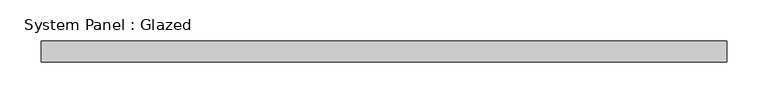
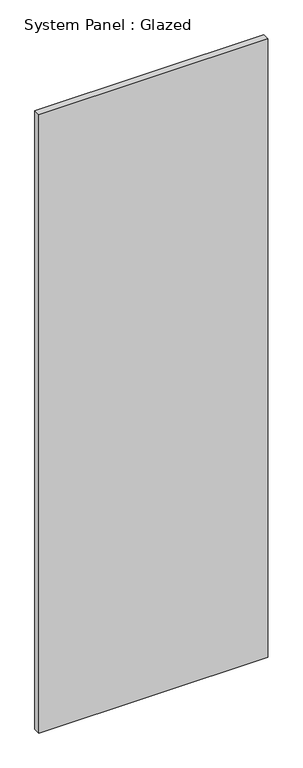
"""IFC4 building model written with IfcOpenShell, lengths in millimetres: plate geometry, System Panel : Glazed."""

from ifc_helpers import new_model, si_unit, origin, origin_with_axes, place, context, project, spatial, polyline, outline, extrude, source, transform, mapped, element, save


def system_panel_glazed_ee93c386(model_context):
    return source(origin(), model_context, "Body", "SweptSolid", [
        extrude(outline(polyline([(414.3482701, -12.7), (-414.3482701, -12.7), (-414.3482701, 12.7), (414.3482701, 12.7), (414.3482701, -12.7)])), origin_with_axes(), (0.0, 0.0, 1.0), 2367.7626),
    ])


if __name__ == "__main__":
    model = new_model("IFC4")
    model_context = context("Model", 3, world=origin())
    ifc_project = project(units=[si_unit("LENGTHUNIT", "METRE", prefix="MILLI")], contexts=[model_context])
    site = spatial("IfcSite", under=ifc_project)
    building = spatial("IfcBuilding", under=site)
    placement = place(None, origin())
    system_panel_glazed_shape = system_panel_glazed_ee93c386(model_context)
    element("IfcPlate", 1, ObjectType="System Panel : Glazed", at=placement, inside=building, context=model_context, shape_type="MappedRepresentation", body=[
        mapped(system_panel_glazed_shape, transform((0.0, 0.0, 0.0), x_axis=(1.0, 0.0, 0.0), y_axis=(0.0, 1.0, 0.0), z_axis=(0.0, 0.0, 1.0))),
    ])
    save(model, "model.ifc")
